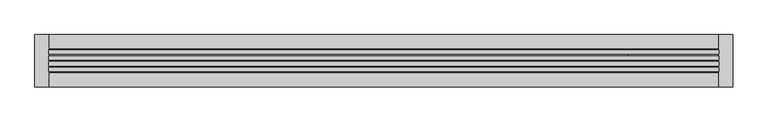
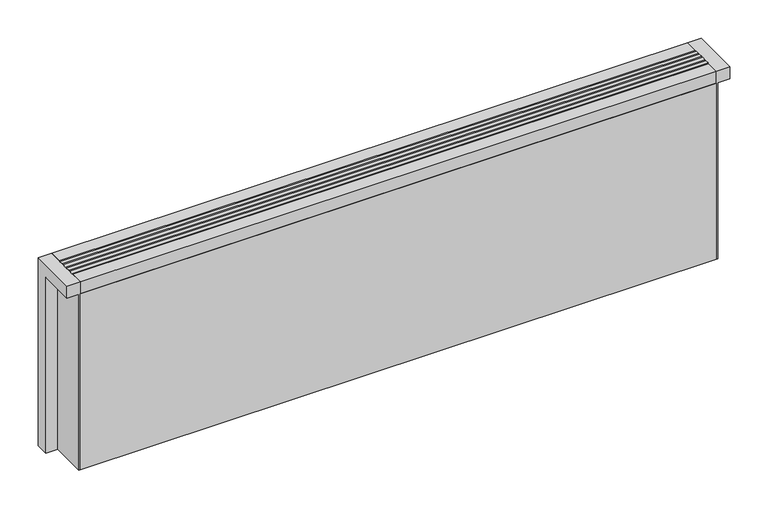
"""IFC4 building model written with IfcOpenShell, lengths in millimetres: proxy geometry."""

from ifc_helpers import new_model, si_unit, point, frame, frame_2d, origin, origin_with_axes, place, context, project, spatial, polyline, circle_curve, trimmed, segment, composite_curve, outline, extrude, source, transform, mapped, element, save
from ifc_brep_helpers import plane_surface, cylinder_surface, revolved_surface, advanced_brep


def mechanical_equipment_1745b3f6(model_context):
    return source(origin(), model_context, "Body", "SolidModel", [
        advanced_brep(
        [(850.0, -7.5, 19.5), (850.0, -7.5, 34.5), (916.0, -7.5, 34.5), (916.0, -7.5, 19.5), (917.0, -7.5, 19.5), (917.0, -7.5, 34.5)],
        [
            (0, 1, circle_curve(frame((850.0, -7.5, 27.0), z_axis=(-1.0, 0.0, 0.0), x_axis=(0.0, 0.0, 1.0)), 7.5)),
            (1, 0, circle_curve(frame((850.0, -7.5, 27.0), z_axis=(-1.0, 0.0, 0.0), x_axis=(0.0, 0.0, 1.0)), 7.5)),
            (1, 2),
            (2, 3, circle_curve(frame((916.0, -7.5, 27.0), z_axis=(-1.0, 0.0, 0.0), x_axis=(0.0, 0.0, 1.0)), 7.5)),
            (3, 0),
            (3, 2, circle_curve(frame((916.0, -7.5, 27.0), z_axis=(-1.0, 0.0, 0.0), x_axis=(0.0, 0.0, 1.0)), 7.5)),
            (4, 5, circle_curve(frame((917.0, -7.5, 27.0), z_axis=(1.0, 0.0, 0.0), x_axis=(0.0, 0.0, 1.0)), 7.5)),
            (5, 4, circle_curve(frame((917.0, -7.5, 27.0), z_axis=(1.0, 0.0, 0.0), x_axis=(0.0, 0.0, 1.0)), 7.5)),
            (2, 5),
            (4, 3),
        ],
        [
            plane_surface(frame((850.0, -7.5, 27.0), z_axis=(-1.0, 0.0, 0.0), x_axis=(0.0, 1.0, 0.0))),
            cylinder_surface(frame((850.0, -7.5, 27.0), z_axis=(-1.0, 0.0, 0.0), x_axis=(0.0, 0.0, 1.0)), 7.5),
            plane_surface(frame((917.0, -7.5, 27.0), z_axis=(1.0, 0.0, 0.0), x_axis=(0.0, 1.0, 0.0))),
            cylinder_surface(frame((916.0, -7.5, 27.0), z_axis=(-1.0, 0.0, 0.0), x_axis=(0.0, 0.0, 1.0)), 7.5),
        ],
        [
            (0, [[1, 2]]),
            (1, [[3, 4, 5, -2]]),
            (1, [[-5, 6, -3, -1]]),
            (2, [[7, 8]]),
            (3, [[9, -7, 10, -4]]),
            (3, [[-10, -8, -9, -6]]),
        ],
    ),
        advanced_brep(
        [(850.0, -7.5, 69.5), (850.0, -7.5, 84.5), (916.0, -7.5, 84.5), (916.0, -7.5, 69.5), (917.0, -7.5, 69.5), (917.0, -7.5, 84.5)],
        [
            (0, 1, circle_curve(frame((850.0, -7.5, 77.0), z_axis=(-1.0, 0.0, 0.0), x_axis=(0.0, 0.0, 1.0)), 7.5)),
            (1, 0, circle_curve(frame((850.0, -7.5, 77.0), z_axis=(-1.0, 0.0, 0.0), x_axis=(0.0, 0.0, 1.0)), 7.5)),
            (1, 2),
            (2, 3, circle_curve(frame((916.0, -7.5, 77.0), z_axis=(-1.0, 0.0, 0.0), x_axis=(0.0, 0.0, 1.0)), 7.5)),
            (3, 0),
            (3, 2, circle_curve(frame((916.0, -7.5, 77.0), z_axis=(-1.0, 0.0, 0.0), x_axis=(0.0, 0.0, 1.0)), 7.5)),
            (4, 5, circle_curve(frame((917.0, -7.5, 77.0), z_axis=(1.0, 0.0, 0.0), x_axis=(0.0, 0.0, 1.0)), 7.5)),
            (5, 4, circle_curve(frame((917.0, -7.5, 77.0), z_axis=(1.0, 0.0, 0.0), x_axis=(0.0, 0.0, 1.0)), 7.5)),
            (2, 5),
            (4, 3),
        ],
        [
            plane_surface(frame((850.0, -7.5, 77.0), z_axis=(-1.0, 0.0, 0.0), x_axis=(0.0, 1.0, 0.0))),
            cylinder_surface(frame((850.0, -7.5, 77.0), z_axis=(-1.0, 0.0, 0.0), x_axis=(0.0, 0.0, 1.0)), 7.5),
            plane_surface(frame((917.0, -7.5, 77.0), z_axis=(1.0, 0.0, 0.0), x_axis=(0.0, 1.0, 0.0))),
            cylinder_surface(frame((916.0, -7.5, 77.0), z_axis=(-1.0, 0.0, 0.0), x_axis=(0.0, 0.0, 1.0)), 7.5),
        ],
        [
            (0, [[1, 2]]),
            (1, [[3, 4, 5, -2]]),
            (1, [[-5, 6, -3, -1]]),
            (2, [[7, 8]]),
            (3, [[9, -7, 10, -4]]),
            (3, [[-10, -8, -9, -6]]),
        ],
    ),
        extrude(outline(polyline([(20.0, 1.1666667), (20.0, 7.1666667), (980.0, 7.1666667), (980.0, 1.1666667), (20.0, 1.1666667)])), frame((0.0, 0.0, 282.0), z_axis=(0.0, 0.0, 1.0), x_axis=(1.0, 0.0, 0.0)), (0.0, 0.0, 1.0), 18.0),
        extrude(outline(polyline([(20.0, -7.1666667), (20.0, -1.1666667), (980.0, -1.1666667), (980.0, -7.1666667), (20.0, -7.1666667)])), frame((0.0, 0.0, 282.0), z_axis=(0.0, 0.0, 1.0), x_axis=(1.0, 0.0, 0.0)), (0.0, 0.0, 1.0), 18.0),
        extrude(outline(polyline([(20.0, 9.5), (20.0, 15.5), (980.0, 15.5), (980.0, 9.5), (20.0, 9.5)])), frame((0.0, 0.0, 282.0), z_axis=(0.0, 0.0, 1.0), x_axis=(1.0, 0.0, 0.0)), (0.0, 0.0, 1.0), 18.0),
        extrude(outline(polyline([(20.0, -15.5), (20.0, -9.5), (980.0, -9.5), (980.0, -15.5), (20.0, -15.5)])), frame((0.0, 0.0, 282.0), z_axis=(0.0, 0.0, 1.0), x_axis=(1.0, 0.0, 0.0)), (0.0, 0.0, 1.0), 18.0),
        extrude(outline(polyline([(980.0, -17.5), (980.0, -37.5), (20.0, -37.5), (20.0, -17.5), (980.0, -17.5)])), origin_with_axes(), (0.0, 0.0, 1.0), 281.0),
        advanced_brep(
        [(980.0, 37.5, 300.0), (980.0, -37.5, 300.0), (1000.0, -37.5, 300.0), (1000.0, 37.5, 300.0), (20.0, -37.5, 300.0), (20.0, 37.5, 300.0), (0.0, 37.5, 300.0), (0.0, -37.5, 300.0), (20.0, 37.5, 0.0), (20.0, 17.5, 0.0), (980.0, 17.5, 0.0), (980.0, 37.5, 0.0), (1000.0, 37.5, 0.0), (1000.0, 17.5, 0.0), (982.0, 17.5, 0.0), (982.0, -37.5, 0.0), (980.0, -37.5, 0.0), (980.0, -17.5, 0.0), (20.0, -17.5, 0.0), (20.0, -37.5, 0.0), (18.0, -37.5, 0.0), (18.0, 17.5, 0.0), (0.0, 17.5, 0.0), (0.0, 37.5, 0.0), (886.5, -7.5, 0.0), (901.5, -7.5, 0.0), (936.5, -7.5, 0.0), (951.5, -7.5, 0.0), (20.0, -17.5, 281.0), (20.0, 17.5, 281.0), (850.0, 17.5, 281.0), (850.0, 17.5, 20.0), (980.0, 17.5, 20.0), (980.0, -0.3585716, 20.0), (980.0, 2.5, 27.0), (980.0, -17.5, 27.0), (980.0, -14.6414284, 20.0), (980.0, -17.5, 20.0), (980.0, 2.5, 77.0), (980.0, -17.5, 77.0), (1000.0, -37.5, 281.0), (1000.0, 17.5, 281.0), (982.0, -37.5, 281.0), (850.0, -17.5, 20.0), (850.0, -17.5, 281.0), (0.0, -37.5, 281.0), (18.0, -37.5, 281.0), (0.0, 17.5, 281.0), (901.5, -7.5, 20.0), (886.5, -7.5, 20.0), (951.5, -7.5, 20.0), (936.5, -7.5, 20.0), (982.0, 17.5, 281.0), (982.0, -17.5, 27.0), (982.0, 2.5, 27.0), (982.0, -17.5, 77.0), (982.0, 2.5, 77.0), (18.0, 17.5, 281.0)],
        [
            (0, 1),
            (1, 2),
            (2, 3),
            (3, 0),
            (4, 5),
            (5, 6),
            (6, 7),
            (7, 4),
            (8, 9),
            (9, 10),
            (10, 11),
            (11, 12),
            (12, 13),
            (13, 14),
            (14, 15),
            (15, 16),
            (16, 17),
            (17, 18),
            (18, 19),
            (19, 20),
            (20, 21),
            (21, 22),
            (22, 23),
            (23, 8),
            (24, 25, circle_curve(frame((894.0, -7.5, 0.0), z_axis=(0.0, 0.0, 1.0), x_axis=(1.0, 0.0, 0.0)), 7.5)),
            (25, 24, circle_curve(frame((894.0, -7.5, 0.0), z_axis=(0.0, 0.0, 1.0), x_axis=(1.0, 0.0, 0.0)), 7.5)),
            (26, 27, circle_curve(frame((944.0, -7.5, 0.0), z_axis=(0.0, 0.0, 1.0), x_axis=(1.0, 0.0, 0.0)), 7.5)),
            (27, 26, circle_curve(frame((944.0, -7.5, 0.0), z_axis=(0.0, 0.0, 1.0), x_axis=(1.0, 0.0, 0.0)), 7.5)),
            (18, 28),
            (28, 29),
            (29, 9),
            (8, 5),
            (4, 19),
            (29, 30),
            (30, 31),
            (31, 32),
            (32, 10),
            (16, 1),
            (0, 11),
            (32, 33),
            (33, 34, circle_curve(frame((980.0, -7.5, 27.0), z_axis=(1.0, 0.0, 0.0), x_axis=(0.0, -1.0, 0.0)), 10.0)),
            (34, 35, circle_curve(frame((980.0, -7.5, 27.0), z_axis=(1.0, 0.0, 0.0), x_axis=(0.0, -1.0, 0.0)), 10.0)),
            (35, 36, circle_curve(frame((980.0, -7.5, 27.0), z_axis=(1.0, 0.0, 0.0), x_axis=(0.0, -1.0, 0.0)), 10.0)),
            (36, 37),
            (37, 17),
            (38, 39, circle_curve(frame((980.0, -7.5, 77.0), z_axis=(1.0, 0.0, 0.0), x_axis=(0.0, -1.0, 0.0)), 10.0)),
            (39, 38, circle_curve(frame((980.0, -7.5, 77.0), z_axis=(1.0, 0.0, 0.0), x_axis=(0.0, -1.0, 0.0)), 10.0)),
            (3, 12),
            (2, 40),
            (40, 41),
            (41, 13),
            (15, 42),
            (42, 40),
            (37, 43),
            (43, 44),
            (44, 28),
            (7, 45),
            (45, 46),
            (46, 20),
            (6, 23),
            (22, 47),
            (47, 45),
            (44, 30),
            (36, 33),
            (31, 43),
            (48, 49, circle_curve(frame((894.0, -7.5, 20.0), z_axis=(0.0, 0.0, -1.0), x_axis=(1.0, 0.0, 0.0)), 7.5)),
            (49, 48, circle_curve(frame((894.0, -7.5, 20.0), z_axis=(0.0, 0.0, -1.0), x_axis=(1.0, 0.0, 0.0)), 7.5)),
            (50, 51, circle_curve(frame((944.0, -7.5, 20.0), z_axis=(0.0, 0.0, -1.0), x_axis=(1.0, 0.0, 0.0)), 7.5)),
            (51, 50, circle_curve(frame((944.0, -7.5, 20.0), z_axis=(0.0, 0.0, -1.0), x_axis=(1.0, 0.0, 0.0)), 7.5)),
            (42, 52),
            (52, 41),
            (14, 52),
            (53, 54, circle_curve(frame((982.0, -7.5, 27.0), z_axis=(-1.0, 0.0, 0.0), x_axis=(0.0, -1.0, 0.0)), 10.0)),
            (54, 53, circle_curve(frame((982.0, -7.5, 27.0), z_axis=(-1.0, 0.0, 0.0), x_axis=(0.0, -1.0, 0.0)), 10.0)),
            (55, 56, circle_curve(frame((982.0, -7.5, 77.0), z_axis=(-1.0, 0.0, 0.0), x_axis=(0.0, -1.0, 0.0)), 10.0)),
            (56, 55, circle_curve(frame((982.0, -7.5, 77.0), z_axis=(-1.0, 0.0, 0.0), x_axis=(0.0, -1.0, 0.0)), 10.0)),
            (47, 57),
            (57, 46),
            (57, 21),
            (36, 33, circle_curve(frame((980.0, -7.5, 27.0), z_axis=(1.0, 0.0, 0.0), x_axis=(0.0, -1.0, 0.0)), 10.0)),
            (35, 53),
            (54, 34),
            (39, 55),
            (56, 38),
            (49, 24),
            (25, 48),
            (51, 26),
            (27, 50),
        ],
        [
            plane_surface(frame((20.0, 37.5, 300.0), z_axis=(0.0, 0.0, 1.0), x_axis=(0.0, -1.0, 0.0))),
            plane_surface(frame((20.0, 37.5, 0.0), z_axis=(0.0, 0.0, -1.0), x_axis=(0.0, 1.0, 0.0))),
            plane_surface(frame((20.0, 37.5, 300.0), z_axis=(1.0, 0.0, 0.0), x_axis=(0.0, 0.0, -1.0))),
            plane_surface(frame((20.0, 17.5, 300.0), z_axis=(0.0, 1.0, 0.0), x_axis=(0.0, 0.0, -1.0))),
            plane_surface(frame((980.0, 17.5, 300.0), z_axis=(-1.0, 0.0, 0.0), x_axis=(0.0, 0.0, -1.0))),
            plane_surface(frame((980.0, 37.5, 300.0), z_axis=(0.0, 1.0, 0.0), x_axis=(0.0, 0.0, -1.0))),
            plane_surface(frame((1000.0, 37.5, 300.0), z_axis=(1.0, 0.0, 0.0), x_axis=(0.0, 0.0, -1.0))),
            plane_surface(frame((1000.0, -37.5, 300.0), z_axis=(0.0, -1.0, 0.0), x_axis=(0.0, 0.0, -1.0))),
            plane_surface(frame((980.0, -17.5, 300.0), z_axis=(0.0, -1.0, 0.0), x_axis=(0.0, 0.0, -1.0))),
            plane_surface(frame((20.0, -37.5, 300.0), z_axis=(0.0, -1.0, 0.0), x_axis=(0.0, 0.0, -1.0))),
            plane_surface(frame((0.0, -37.5, 300.0), z_axis=(-1.0, 0.0, 0.0), x_axis=(0.0, 0.0, -1.0))),
            plane_surface(frame((0.0, 37.5, 300.0), z_axis=(0.0, 1.0, 0.0), x_axis=(0.0, 0.0, -1.0))),
            plane_surface(frame((20.0, -17.5, 281.0), z_axis=(0.0, 0.0, 1.0), x_axis=(1.0, 0.0, 0.0))),
            plane_surface(frame((850.0, -17.5, 20.0), z_axis=(0.0, 0.0, 1.0), x_axis=(0.0, -1.0, 0.0))),
            plane_surface(frame((850.0, -17.5, 300.0), z_axis=(1.0, 0.0, 0.0), x_axis=(0.0, 0.0, -1.0))),
            plane_surface(frame((982.0, -37.5, 281.0), z_axis=(0.0, 0.0, -1.0), x_axis=(0.0, 1.0, 0.0))),
            plane_surface(frame((982.0, -37.5, 281.0), z_axis=(1.0, 0.0, 0.0), x_axis=(0.0, 0.0, -1.0))),
            plane_surface(frame((982.0, 17.5, 281.0), z_axis=(0.0, -1.0, 0.0), x_axis=(0.0, 0.0, -1.0))),
            plane_surface(frame((0.0, -37.5, 281.0), z_axis=(0.0, 0.0, -1.0), x_axis=(-1.0, 0.0, 0.0))),
            plane_surface(frame((18.0, 17.5, 281.0), z_axis=(-1.0, 0.0, 0.0), x_axis=(0.0, 0.0, -1.0))),
            plane_surface(frame((0.0, 17.5, 281.0), z_axis=(0.0, -1.0, 0.0), x_axis=(0.0, 0.0, -1.0))),
            plane_surface(frame((980.0, -17.5, 27.0), z_axis=(1.0, 0.0, 0.0), x_axis=(0.0, 0.0, -1.0))),
            revolved_surface(polyline([(982.0, -17.5, 27.0), (980.0, -17.5, 27.0)]), (980.0, -7.5, 27.0), (1.0, 0.0, 0.0)),
            revolved_surface(polyline([(982.0, -17.5, 77.0), (980.0, -17.5, 77.0)]), (0.0, -7.5, 77.0), (1.0, 0.0, 0.0)),
            revolved_surface(polyline([(901.5, -7.5, 20.0), (901.5, -7.5, 0.0)]), (894.0, -7.5, 0.0), (0.0, 0.0, 1.0)),
            revolved_surface(polyline([(951.5, -7.5, 20.0), (951.5, -7.5, 0.0)]), (944.0, -7.5, 0.0), (0.0, 0.0, 1.0)),
        ],
        [
            (0, [[1, 2, 3, 4]]),
            (0, [[5, 6, 7, 8]]),
            (1, [[9, 10, 11, 12, 13, 14, 15, 16, 17, 18, 19, 20, 21, 22, 23, 24], [25, 26], [27, 28]]),
            (2, [[29, 30, 31, -9, 32, -5, 33, -19]]),
            (3, [[-31, 34, 35, 36, 37, -10]]),
            (4, [[38, -1, 39, -11, -37, 40, 41, 42, 43, 44, 45, -17], [46, 47]]),
            (5, [[48, -12, -39, -4]]),
            (6, [[49, 50, 51, -13, -48, -3]]),
            (7, [[-38, -16, 52, 53, -49, -2]]),
            (8, [[-45, 54, 55, 56, -29, -18]]),
            (9, [[57, 58, 59, -20, -33, -8]]),
            (10, [[60, -23, 61, 62, -57, -7]]),
            (11, [[-32, -24, -60, -6]]),
            (12, [[-56, 63, -34, -30]]),
            (13, [[-54, -44, 64, -40, -36, 65], [66, 67], [68, 69]]),
            (14, [[-35, -63, -55, -65]]),
            (15, [[-50, -53, 70, 71]]),
            (16, [[-52, -15, 72, -70], [73, 74], [75, 76]]),
            (17, [[-72, -14, -51, -71]]),
            (18, [[-58, -62, 77, 78]]),
            (19, [[79, -21, -59, -78]]),
            (20, [[-61, -22, -79, -77]]),
            (21, [[-64, 80]]),
            (22, [[-43, 81, -74, 82, -41, -80]]),
            (22, [[-73, -81, -42, -82]]),
            (23, [[-47, 83, -76, 84]]),
            (23, [[-75, -83, -46, -84]]),
            (24, [[-67, 85, -26, 86]]),
            (24, [[-25, -85, -66, -86]]),
            (25, [[-69, 87, -28, 88]]),
            (25, [[-27, -87, -68, -88]]),
        ],
    ),
        extrude(outline(polyline([(980.0, -17.5), (980.0, -37.5), (20.0, -37.5), (20.0, -17.5), (980.0, -17.5)])), frame((0.0, 0.0, 281.0), z_axis=(0.0, 0.0, 1.0), x_axis=(1.0, 0.0, 0.0)), (0.0, 0.0, 1.0), 19.0),
        extrude(outline(polyline([(980.0, 37.5), (980.0, 17.5), (20.0, 17.5), (20.0, 37.5), (980.0, 37.5)])), origin_with_axes(), (0.0, 0.0, 1.0), 300.0),
        extrude(outline(composite_curve([segment(trimmed(circle_curve(frame_2d((894.0, -7.5)), 7.5), [point((886.5, -7.5))], [point((901.5, -7.5))], False, "CARTESIAN"), True, "CONTINUOUS"), segment(trimmed(circle_curve(frame_2d((894.0, -7.5)), 7.5), [point((901.5, -7.5))], [point((886.5, -7.5))], False, "CARTESIAN"), True, "CONTINUOUS")], self_intersect=False)), origin_with_axes(), (0.0, 0.0, 1.0), 5.0),
        extrude(outline(composite_curve([segment(trimmed(circle_curve(frame_2d((944.0, -7.5)), 7.5), [point((936.5, -7.5))], [point((951.5, -7.5))], False, "CARTESIAN"), True, "CONTINUOUS"), segment(trimmed(circle_curve(frame_2d((944.0, -7.5)), 7.5), [point((951.5, -7.5))], [point((936.5, -7.5))], False, "CARTESIAN"), True, "CONTINUOUS")], self_intersect=False)), origin_with_axes(), (0.0, 0.0, 1.0), 5.0),
    ])


if __name__ == "__main__":
    model = new_model("IFC4")
    model_context = context("Model", 3, world=origin())
    ifc_project = project(units=[si_unit("LENGTHUNIT", "METRE", prefix="MILLI")], contexts=[model_context])
    site = spatial("IfcSite", under=ifc_project)
    building = spatial("IfcBuilding", under=site)
    placement = place(None, origin())
    mechanical_equipment_shape = mechanical_equipment_1745b3f6(model_context)
    element("IfcBuildingElementProxy", 1, Name="Mechanical Equipment", at=placement, inside=building, context=model_context, shape_type="MappedRepresentation", body=[
        mapped(mechanical_equipment_shape, transform((0.0, 0.0, 0.0), x_axis=(1.0, 0.0, 0.0), y_axis=(0.0, 1.0, 0.0), z_axis=(0.0, 0.0, 1.0))),
    ])
    save(model, "model.ifc")
